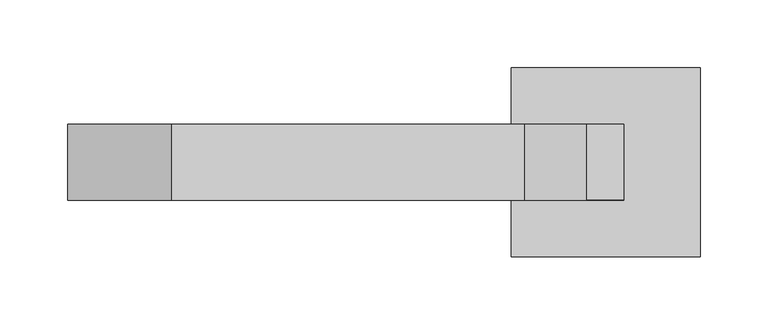
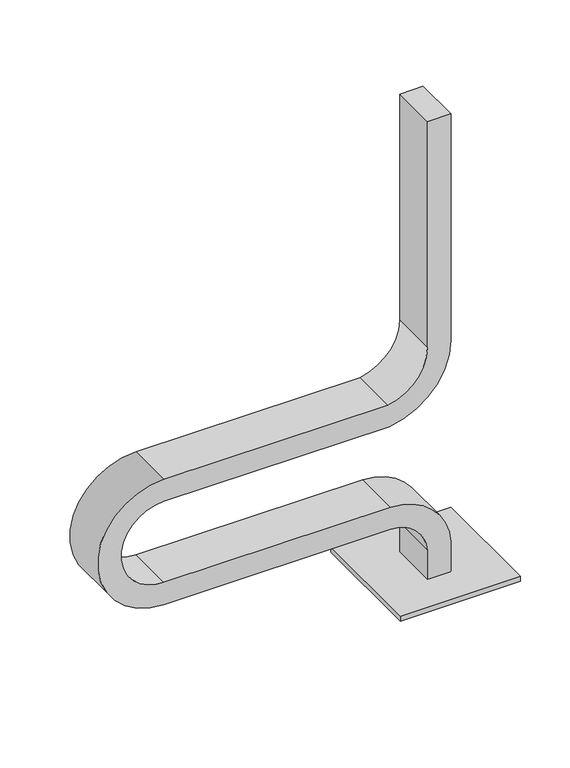
"""IFC4 building model written with IfcOpenShell, lengths in millimetres: furniture geometry."""

from ifc_helpers import new_model, si_unit, point, frame, frame_2d, origin, origin_with_axes, place, context, project, spatial, polyline, circle_curve, trimmed, segment, composite_curve, outline, extrude, source, transform, mapped, element, save
from ifc_brep_helpers import plane_surface, cylinder_surface, revolved_surface, advanced_brep


def furniture_db1d541c(model_context):
    return source(origin(), model_context, "Body", "SolidModel", [
        extrude(outline(composite_curve([segment(trimmed(circle_curve(frame_2d((513.6014244, 58.0553319)), 4.978544), [point((508.6228804, 58.0553319))], [point((518.5799684, 58.0553319))], False, "CARTESIAN"), True, "CONTINUOUS"), segment(trimmed(circle_curve(frame_2d((513.6014244, 58.0553319)), 4.978544), [point((518.5799684, 58.0553319))], [point((508.6228804, 58.0553319))], False, "CARTESIAN"), True, "CONTINUOUS")], self_intersect=False)), origin_with_axes(), (0.0, 0.0, 1.0), 5.0),
        extrude(outline(composite_curve([segment(trimmed(circle_curve(frame_2d((629.5288601, 58.0553319)), 4.978544), [point((624.5503161, 58.0553319))], [point((634.5074041, 58.0553319))], False, "CARTESIAN"), True, "CONTINUOUS"), segment(trimmed(circle_curve(frame_2d((629.5288601, 58.0553319)), 4.978544), [point((634.5074041, 58.0553319))], [point((624.5503161, 58.0553319))], False, "CARTESIAN"), True, "CONTINUOUS")], self_intersect=False)), origin_with_axes(), (0.0, 0.0, 1.0), 5.0),
        extrude(outline(composite_curve([segment(trimmed(circle_curve(frame_2d((513.6014244, -58.0553319)), 4.978544), [point((508.6228804, -58.0553319))], [point((518.5799684, -58.0553319))], False, "CARTESIAN"), True, "CONTINUOUS"), segment(trimmed(circle_curve(frame_2d((513.6014244, -58.0553319)), 4.978544), [point((518.5799684, -58.0553319))], [point((508.6228804, -58.0553319))], False, "CARTESIAN"), True, "CONTINUOUS")], self_intersect=False)), origin_with_axes(), (0.0, 0.0, 1.0), 5.0),
        extrude(outline(composite_curve([segment(trimmed(circle_curve(frame_2d((629.5288601, -58.0553319)), 4.978544), [point((624.5503161, -58.0553319))], [point((634.5074041, -58.0553319))], False, "CARTESIAN"), True, "CONTINUOUS"), segment(trimmed(circle_curve(frame_2d((629.5288601, -58.0553319)), 4.978544), [point((634.5074041, -58.0553319))], [point((624.5503161, -58.0553319))], False, "CARTESIAN"), True, "CONTINUOUS")], self_intersect=False)), origin_with_axes(), (0.0, 0.0, 1.0), 5.0),
        extrude(outline(polyline([(641.5651422, 70.0), (641.5651422, -70.0), (501.5651422, -70.0), (501.5651422, 70.0), (641.5651422, 70.0)])), frame((0.0, 0.0, 5.0), z_axis=(0.0, 0.0, 1.0), x_axis=(1.0, 0.0, 0.0)), (0.0, 0.0, 1.0), 6.0),
        advanced_brep(
        [(557.4659827, -27.9558153, 11.0), (557.4659827, 27.9558153, 11.0), (584.6579846, 27.9558153, 11.0), (584.6579846, -27.9558153, 11.0), (557.4659827, -27.9558153, 47.0524338), (557.4659827, 27.9558153, 47.0524338), (584.6579846, 27.9558153, 47.8147532), (584.6579846, -27.9558153, 47.8147532), (514.287774, 27.9558153, 87.9015784), (514.287774, -27.9558153, 87.9015784), (514.513913, -27.9558153, 115.0926399), (514.513913, 27.9558153, 115.0926399), (250.0, -27.9558153, 87.9010908), (250.0, 27.9558153, 87.9010908), (250.0, 27.9558153, 115.0930927), (250.0, -27.9558153, 115.0930927), (250.0, 27.9558153, 242.0989092), (250.0, -27.9558153, 242.0989092), (250.0, -27.9558153, 214.9069073), (250.0, 27.9558153, 214.9069073), (511.0306629, -27.9558153, 242.0989092), (511.0306629, 27.9558153, 242.0989092), (513.0352709, 27.9558153, 214.9069073), (513.0352709, -27.9558153, 214.9069073), (557.4662451, 27.9558153, 296.4787195), (557.4662451, -27.9558153, 296.4787195), (584.6577283, 27.9558153, 296.3107738), (557.4659762, 27.9558153, 575.0), (584.6579781, 27.9558153, 575.0), (584.6577283, -27.9558153, 296.3107738), (584.6579781, -27.9558153, 575.0), (557.4659762, -27.9558153, 575.0)],
        [
            (0, 1),
            (1, 2),
            (2, 3),
            (3, 0),
            (0, 4),
            (4, 5),
            (5, 1),
            (2, 6),
            (6, 7),
            (7, 3),
            (8, 5, circle_curve(frame((513.9249333, 27.9558153, 44.2734439), z_axis=(0.0, 1.0, 0.0), x_axis=(0.9984653379141396, 0.0, 0.055380221956967894)), 43.6296433)),
            (4, 9, circle_curve(frame((513.9249333, -27.9558153, 44.2734439), z_axis=(0.0, -1.0, 0.0), x_axis=(0.9984653379141396, 0.0, 0.055380221956967894)), 43.6296433)),
            (9, 8),
            (10, 7, circle_curve(frame((513.9249333, -27.9558153, 44.2734439), z_axis=(0.0, 1.0, 0.0), x_axis=(0.9984653379141396, 0.0, 0.055380221956967894)), 70.8216452)),
            (6, 11, circle_curve(frame((513.9249333, 27.9558153, 44.2734439), z_axis=(0.0, -1.0, 0.0), x_axis=(0.9984653379141396, 0.0, 0.055380221956967894)), 70.8216452)),
            (11, 10),
            (9, 12),
            (12, 13),
            (13, 8),
            (11, 14),
            (14, 15),
            (15, 10),
            (16, 13, circle_curve(frame((250.0, 27.9558153, 165.0), z_axis=(0.0, -1.0, 0.0), x_axis=(0.0, 0.0, -1.0)), 77.0989092)),
            (12, 17, circle_curve(frame((250.0, -27.9558153, 165.0), z_axis=(0.0, 1.0, 0.0), x_axis=(0.0, 0.0, -1.0)), 77.0989092)),
            (17, 16),
            (18, 15, circle_curve(frame((250.0, -27.9558153, 165.0), z_axis=(0.0, -1.0, 0.0), x_axis=(0.0, 0.0, -1.0)), 49.9069073)),
            (14, 19, circle_curve(frame((250.0, 27.9558153, 165.0), z_axis=(0.0, 1.0, 0.0), x_axis=(0.0, 0.0, -1.0)), 49.9069073)),
            (19, 18),
            (17, 20),
            (20, 21),
            (21, 16),
            (19, 22),
            (22, 23),
            (23, 18),
            (24, 21, circle_curve(frame((502.0057332, 27.9558153, 296.8212662), z_axis=(0.0, 1.0, 0.0), x_axis=(0.14539904125884962, 0.0, -0.9893730938331643)), 55.4615697)),
            (20, 25, circle_curve(frame((502.0057332, -27.9558153, 296.8212662), z_axis=(0.0, -1.0, 0.0), x_axis=(0.14539904125884962, 0.0, -0.9893730938331643)), 55.4615697)),
            (25, 24),
            (26, 22, circle_curve(frame((502.0057332, 27.9558153, 296.8212662), z_axis=(0.0, 1.0, 0.0), x_axis=(0.14539904125884962, 0.0, -0.9893730938331643)), 82.6535716)),
            (24, 27),
            (27, 28),
            (28, 26),
            (29, 23, circle_curve(frame((502.0057332, -27.9558153, 296.8212662), z_axis=(0.0, 1.0, 0.0), x_axis=(0.14539904125884962, 0.0, -0.9893730938331643)), 82.6535716)),
            (26, 29),
            (29, 30),
            (30, 31),
            (31, 25),
            (30, 28),
            (27, 31),
        ],
        [
            plane_surface(frame((571.5648919, 0.0, 11.0), z_axis=(0.0, 0.0, -1.0), x_axis=(0.0, -1.0, 0.0))),
            plane_surface(frame((557.4659827, -27.9558153, 11.0), z_axis=(-1.0, 0.0, 0.0), x_axis=(0.0, 0.0, 1.0))),
            plane_surface(frame((584.6579846, 27.9558153, 11.0), z_axis=(1.0, 0.0, 0.0), x_axis=(0.0, 0.0, 1.0))),
            revolved_surface(polyline([(557.4876198406079, -27.9558153, 46.68966322985733), (557.4876198406079, 27.9558153, 46.68966322985733)]), (513.9249333, 0.0, 44.2734439), (0.0, -1.0, 0.0)),
            cylinder_surface(frame((513.9249333, 0.0, 44.2734439), z_axis=(0.0, -1.0, 0.0), x_axis=(0.9984653379141396, 0.0, 0.055380221956967894)), 70.8216452),
            plane_surface(frame((514.2877699, -27.9558153, 87.9010908), z_axis=(0.0, 0.0, -1.0), x_axis=(-1.0, 0.0, 0.0))),
            plane_surface(frame((514.5139168, 27.9558153, 115.0930927), z_axis=(0.0, 0.0, 1.0), x_axis=(-1.0, 0.0, 0.0))),
            cylinder_surface(frame((250.0, 0.0, 165.0), z_axis=(0.0, 1.0, 0.0), x_axis=(0.0, 0.0, -1.0)), 77.0989092),
            revolved_surface(polyline([(250.0, 27.9558153, 115.0930927), (250.0, -27.9558153, 115.0930927)]), (250.0, 0.0, 165.0), (0.0, 1.0, 0.0)),
            plane_surface(frame((250.0, -27.9558153, 242.0989092), z_axis=(0.0, 0.0, 1.0), x_axis=(1.0, 0.0, 0.0))),
            plane_surface(frame((250.0, 27.9558153, 214.9069073), z_axis=(0.0, 0.0, -1.0), x_axis=(1.0, 0.0, 0.0))),
            revolved_surface(polyline([(510.06979226109087, -27.9558153, 241.94908139706735), (510.06979226109087, 27.9558153, 241.94908139706735)]), (502.0057332, 0.0, 296.8212662), (0.0, -1.0, 0.0)),
            plane_surface(frame((502.0057332, 27.9558153, 296.8212662), z_axis=(0.0, 1.0000000000000002, 0.0), x_axis=(0.14539904125884964, 0.0, -0.9893730938331644))),
            cylinder_surface(frame((502.0057332, 0.0, 296.8212662), z_axis=(0.0, -1.0, 0.0), x_axis=(0.14539904125884962, 0.0, -0.9893730938331643)), 82.6535716),
            plane_surface(frame((502.0057332, -27.9558153, 296.8212662), z_axis=(0.0, -1.0000000000000002, 0.0), x_axis=(0.14539904125884964, 0.0, -0.9893730938331644))),
            plane_surface(frame((571.5648854, 0.0, 575.0), z_axis=(0.0, 0.0, 1.0), x_axis=(0.0, -1.0, 0.0))),
            plane_surface(frame((557.4659762, -27.9558153, 296.4787211), z_axis=(-1.0, 0.0, 0.0), x_axis=(0.0, 0.0, 1.0))),
            plane_surface(frame((584.6579781, 27.9558153, 296.3107723), z_axis=(1.0, 0.0, 0.0), x_axis=(0.0, 0.0, 1.0))),
        ],
        [
            (0, [[1, 2, 3, 4]]),
            (1, [[-1, 5, 6, 7]]),
            (2, [[-3, 8, 9, 10]]),
            (3, [[11, -6, 12, 13]]),
            (4, [[14, -9, 15, 16]]),
            (5, [[-13, 17, 18, 19]]),
            (6, [[-16, 20, 21, 22]]),
            (7, [[23, -18, 24, 25]]),
            (8, [[26, -21, 27, 28]]),
            (9, [[-25, 29, 30, 31]]),
            (10, [[-28, 32, 33, 34]]),
            (11, [[35, -30, 36, 37]]),
            (12, [[38, -32, -27, -20, -15, -8, -2, -7, -11, -19, -23, -31, -35, 39, 40, 41]]),
            (13, [[42, -33, -38, 43]]),
            (14, [[-36, -29, -24, -17, -12, -5, -4, -10, -14, -22, -26, -34, -42, 44, 45, 46]]),
            (15, [[-45, 47, -40, 48]]),
            (16, [[-37, -46, -48, -39]]),
            (17, [[-43, -41, -47, -44]]),
        ],
    ),
    ])


if __name__ == "__main__":
    model = new_model("IFC4")
    model_context = context("Model", 3, world=origin())
    ifc_project = project(units=[si_unit("LENGTHUNIT", "METRE", prefix="MILLI")], contexts=[model_context])
    site = spatial("IfcSite", under=ifc_project)
    building = spatial("IfcBuilding", under=site)
    placement = place(None, origin())
    furniture_shape = furniture_db1d541c(model_context)
    element("IfcFurniture", 1, at=placement, inside=building, context=model_context, shape_type="MappedRepresentation", body=[
        mapped(furniture_shape, transform((0.0, 0.0, 0.0), x_axis=(1.0, 0.0, 0.0), y_axis=(0.0, 1.0, 0.0), z_axis=(0.0, 0.0, 1.0))),
    ])
    save(model, "model.ifc")
